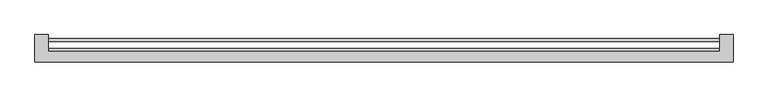
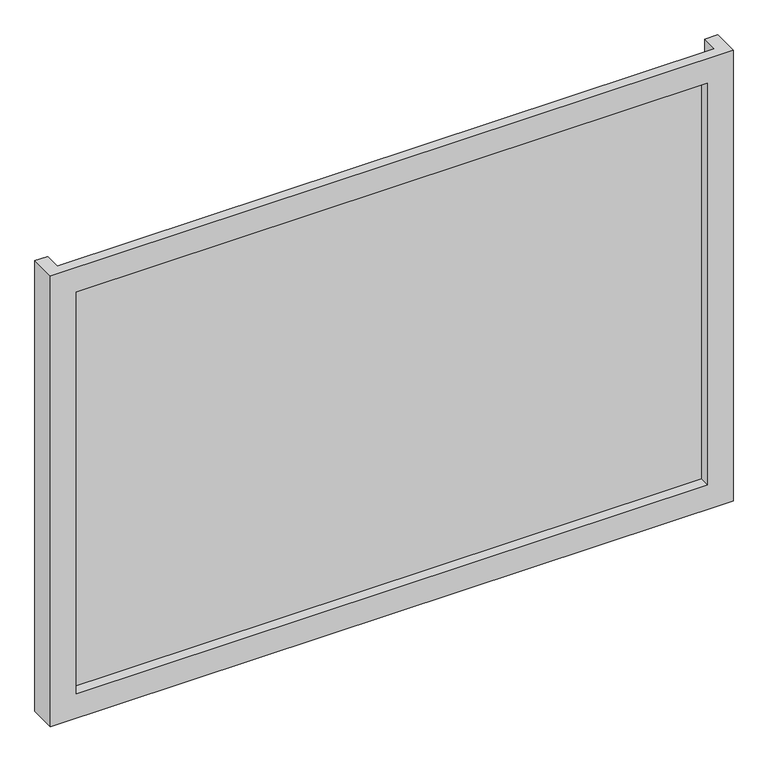
"""IFC4 building model written with IfcOpenShell, lengths in millimetres: plate geometry."""

from ifc_helpers import new_model, si_unit, origin, origin_with_axes, place, context, project, spatial, polyline, outline, extrude, faceted_brep, source, transform, mapped, element, save


def plate_7f19eac4(model_context):
    return source(origin(), model_context, "Body", "SolidModel", [
        faceted_brep([(662.5, -51.0, -50.0), (662.5, -103.0, -50.0), (-662.5, -103.0, -50.0), (-662.5, -51.0, -50.0), (-637.5, -51.0, -50.0), (-637.5, -83.0, -50.0), (637.5, -83.0, -50.0), (637.5, -51.0, -50.0), (612.5, -103.0, 0.0), (612.5, -83.0, 0.0), (-612.5, -83.0, 0.0), (-612.5, -103.0, 0.0), (662.5, -103.0, 875.0), (-662.5, -103.0, 875.0), (-612.5, -103.0, 825.0), (612.5, -103.0, 825.0), (-637.5, -83.0, 875.0), (637.5, -83.0, 875.0), (612.5, -83.0, 825.0), (-612.5, -83.0, 825.0), (662.5, -51.0, 875.0), (637.5, -51.0, 875.0), (-637.5, -51.0, 875.0), (-662.5, -51.0, 875.0)], [[[0, 1, 2, 3, 4, 5, 6, 7]], [[8, 9, 10, 11]], [[12, 13, 2, 1], [11, 14, 15, 8]], [[16, 17, 6, 5], [9, 18, 19, 10]], [[20, 21, 17, 16, 22, 23, 13, 12]], [[20, 0, 7, 21]], [[21, 7, 6, 17]], [[8, 15, 18, 9]], [[12, 1, 0, 20]], [[22, 4, 3, 23]], [[16, 5, 4, 22]], [[10, 19, 14, 11]], [[23, 3, 2, 13]], [[18, 15, 14, 19]]]),
        extrude(outline(polyline([(637.5, -77.0), (637.5, -83.0), (-637.5, -83.0), (-637.5, -77.0), (637.5, -77.0)])), origin_with_axes(), (0.0, 0.0, 1.0), 825.0),
        extrude(outline(polyline([(637.5, -64.4), (-637.5, -64.4), (-637.5, -58.0), (637.5, -58.0), (637.5, -64.4)])), origin_with_axes(), (0.0, 0.0, 1.0), 825.0),
    ])


if __name__ == "__main__":
    model = new_model("IFC4")
    model_context = context("Model", 3, world=origin())
    ifc_project = project(units=[si_unit("LENGTHUNIT", "METRE", prefix="MILLI")], contexts=[model_context])
    site = spatial("IfcSite", under=ifc_project)
    building = spatial("IfcBuilding", under=site)
    placement = place(None, origin())
    plate_shape = plate_7f19eac4(model_context)
    element("IfcPlate", 1, at=placement, inside=building, context=model_context, shape_type="MappedRepresentation", body=[
        mapped(plate_shape, transform((0.0, 0.0, 0.0), x_axis=(1.0, 0.0, 0.0), y_axis=(0.0, 1.0, 0.0), z_axis=(0.0, 0.0, 1.0))),
    ])
    save(model, "model.ifc")
